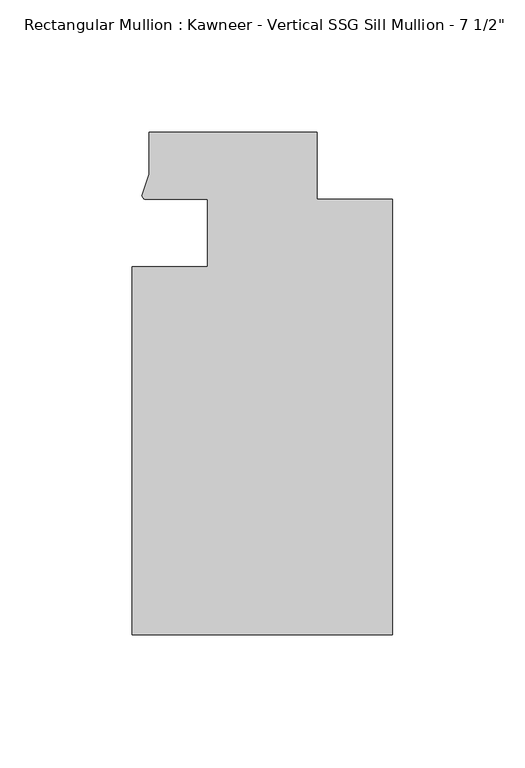
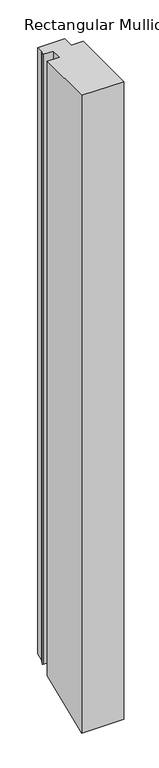
"""IFC4 building model written with IfcOpenShell, lengths in millimetres: member geometry."""

from ifc_helpers import new_model, si_unit, frame, origin, place, context, project, spatial, circle_curve, ellipse_curve, source, transform, mapped, element, save
from ifc_brep_helpers import plane_surface, cylinder_surface, advanced_brep


def member_a0d70920(model_context):
    return source(origin(), model_context, "Body", "AdvancedBrep", [
        advanced_brep(
        [(-69.85, -12.7, 0.0), (-98.425, -12.7, 0.0), (-98.425, -151.892, 0.0), (0.0, -151.892, 0.0), (0.0, 12.7, 0.0), (-28.575, 12.7, 0.0), (-28.575, 38.1, 0.0), (-92.075, 38.1, 0.0), (-92.075, 22.2250977, 0.0), (-94.7258552, 14.2884292, 0.0), (-93.1091288, 12.700061, 0.0), (-69.85, 12.700061, 0.0), (-69.85, -12.7, -1518.6059126), (-98.425, -12.7, -1518.6059126), (-98.425, -151.892, -1576.2611268), (0.0, -151.892, -1576.2611268), (0.0, 12.7, -1508.0848881), (-28.575, 12.7, -1508.0848881), (-28.575, 38.1, -1497.5638636), (-92.075, 38.1, -1497.5638636), (-92.075, 22.2250977, -1504.1394635), (-94.7258552, 14.2884292, -1507.4269392), (-93.1091288, 12.700061, -1508.0848628), (-69.85, 12.700061, -1508.0848628)],
        [
            (0, 1),
            (1, 2),
            (2, 3),
            (3, 4),
            (4, 5),
            (5, 6),
            (6, 7),
            (7, 8),
            (8, 9),
            (9, 10, circle_curve(frame((-93.0262373, 14.401412, 0.0), z_axis=(0.0, 0.0, 1.0), x_axis=(-0.04866327869705179, -0.9988152408260765, 0.0)), 1.703369)),
            (10, 11),
            (11, 0),
            (0, 12),
            (12, 13),
            (13, 1),
            (13, 14),
            (14, 2),
            (14, 15),
            (15, 3),
            (15, 16),
            (16, 4),
            (16, 17),
            (17, 5),
            (17, 18),
            (18, 6),
            (18, 19),
            (19, 7),
            (19, 20),
            (20, 8),
            (20, 21),
            (21, 9),
            (21, 22, ellipse_curve(frame((-93.0262373, 14.401412, -1507.3801402), z_axis=(0.0, -0.38268343236508784, 0.9238795325112875), x_axis=(0.0, 0.9238795325112874, 0.3826834323650879)), 1.8437134, 1.703369)),
            (22, 10),
            (22, 23),
            (23, 11),
            (23, 12),
        ],
        [
            plane_surface(frame((0.0, -180.9935366, 0.0), z_axis=(0.0, 0.0, 1.0), x_axis=(-1.0, 0.0, 0.0))),
            plane_surface(frame((-69.85, -12.7, 0.0), z_axis=(0.0, 1.0, 0.0), x_axis=(0.0, 0.0, -1.0))),
            plane_surface(frame((-98.425, -12.7, 0.0), z_axis=(-1.0, 0.0, 0.0), x_axis=(0.0, 0.0, -1.0))),
            plane_surface(frame((-98.425, -151.892, 0.0), z_axis=(0.0, -1.0, 0.0), x_axis=(0.0, 0.0, -1.0))),
            plane_surface(frame((0.0, -151.892, 0.0), z_axis=(1.0, 0.0, 0.0), x_axis=(0.0, 0.0, -1.0))),
            plane_surface(frame((0.0, 12.7, 0.0), z_axis=(0.0, 1.0, 0.0), x_axis=(0.0, 0.0, -1.0))),
            plane_surface(frame((-28.575, 12.7, 0.0), z_axis=(1.0, 0.0, 0.0), x_axis=(0.0, 0.0, -1.0))),
            plane_surface(frame((-28.575, 38.1, 0.0), z_axis=(0.0, 1.0, 0.0), x_axis=(0.0, 0.0, -1.0))),
            plane_surface(frame((-92.075, 38.1, 0.0), z_axis=(-1.0, 0.0, 0.0), x_axis=(0.0, 0.0, -1.0))),
            plane_surface(frame((-92.075, 22.2250977, 0.0), z_axis=(-0.9484931443165878, 0.3167976565324192, 0.0), x_axis=(0.0, 0.0, -1.0))),
            cylinder_surface(frame((-93.0262373, 14.401412, 0.0), z_axis=(0.0, 0.0, 1.0000000000000002), x_axis=(-0.04866327869705179, -0.9988152408260765, 0.0)), 1.703369),
            plane_surface(frame((-93.1091288, 12.700061, 0.0), z_axis=(0.0, -1.0, 0.0), x_axis=(0.0, 0.0, -1.0))),
            plane_surface(frame((-69.85, 12.700061, 0.0), z_axis=(-1.0, 0.0, 0.0), x_axis=(0.0, 0.0, -1.0))),
            plane_surface(frame((-304.8, 0.0, -1513.3454004), z_axis=(0.0, 0.38268343236508784, -0.9238795325112875), x_axis=(0.0, 0.9238795325112875, 0.38268343236508784))),
        ],
        [
            (0, [[1, 2, 3, 4, 5, 6, 7, 8, 9, 10, 11, 12]]),
            (1, [[-1, 13, 14, 15]]),
            (2, [[-2, -15, 16, 17]]),
            (3, [[-3, -17, 18, 19]]),
            (4, [[-4, -19, 20, 21]]),
            (5, [[-5, -21, 22, 23]]),
            (6, [[-6, -23, 24, 25]]),
            (7, [[-7, -25, 26, 27]]),
            (8, [[-8, -27, 28, 29]]),
            (9, [[-9, -29, 30, 31]]),
            (10, [[-10, -31, 32, 33]]),
            (11, [[-11, -33, 34, 35]]),
            (12, [[-12, -35, 36, -13]]),
            (13, [[-36, -34, -32, -30, -28, -26, -24, -22, -20, -18, -16, -14]]),
        ],
    ),
    ])


if __name__ == "__main__":
    model = new_model("IFC4")
    model_context = context("Model", 3, world=origin())
    ifc_project = project(units=[si_unit("LENGTHUNIT", "METRE", prefix="MILLI")], contexts=[model_context])
    site = spatial("IfcSite", under=ifc_project)
    building = spatial("IfcBuilding", under=site)
    placement = place(None, origin())
    member_shape = member_a0d70920(model_context)
    element("IfcMember", 1, ObjectType="Rectangular Mullion : Kawneer - Vertical SSG Sill Mullion - 7 1/2\"", at=placement, inside=building, context=model_context, shape_type="MappedRepresentation", body=[
        mapped(member_shape, transform((0.0, 0.0, 0.0), x_axis=(1.0, 0.0, 0.0), y_axis=(0.0, 1.0, 0.0), z_axis=(0.0, 0.0, 1.0))),
    ])
    save(model, "model.ifc")
